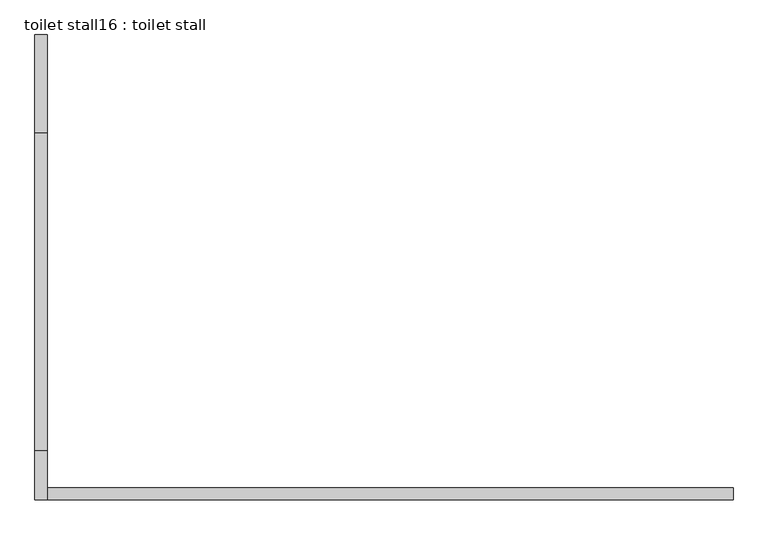
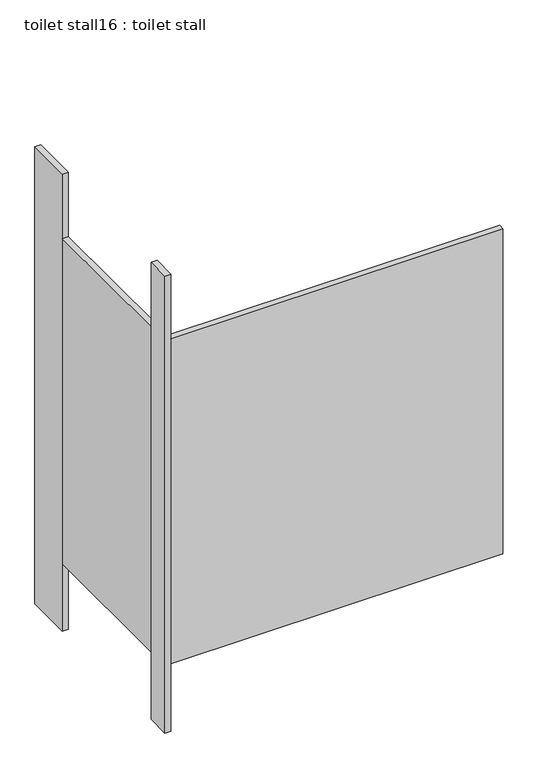
"""IFC4 building model written with IfcOpenShell, lengths in millimetres: proxy geometry, toilet stall16 : toilet stall."""

from ifc_helpers import new_model, si_unit, frame, origin, origin_with_axes, place, context, project, spatial, polyline, outline, extrude, source, transform, mapped, element, save


def toilet_stall16_toilet_stall_9a24d456(model_context):
    return source(origin(), model_context, "Body", "SweptSolid", [
        extrude(outline(polyline([(454658.2004676, -280172.2988632), (454632.8004676, -280172.2988632), (454632.8004676, -279969.0988632), (454658.2004676, -279969.0988632), (454658.2004676, -280172.2988632)])), origin_with_axes(), (0.0, 0.0, 1.0), 2070.1),
        extrude(outline(polyline([(454658.2004676, -280934.2988632), (454632.8004676, -280934.2988632), (454632.8004676, -280832.6988632), (454658.2004676, -280832.6988632), (454658.2004676, -280934.2988632)])), origin_with_axes(), (0.0, 0.0, 1.0), 2070.1),
        extrude(outline(polyline([(454658.2004676, -280934.2988632), (454658.2004676, -280908.8988632), (456080.6004676, -280908.8988632), (456080.6004676, -280934.2988632), (454658.2004676, -280934.2988632)])), frame((0.0, 0.0, 304.8), z_axis=(0.0, 0.0, 1.0), x_axis=(1.0, 0.0, 0.0)), (0.0, 0.0, 1.0), 1473.2),
        extrude(outline(polyline([(454658.2004676, -280832.6988632), (454632.8004676, -280832.6988632), (454632.8004676, -280172.2988632), (454658.2004676, -280172.2988632), (454658.2004676, -280832.6988632)])), frame((0.0, 0.0, 304.8), z_axis=(0.0, 0.0, 1.0), x_axis=(1.0, 0.0, 0.0)), (0.0, 0.0, 1.0), 1473.2),
    ])


if __name__ == "__main__":
    model = new_model("IFC4")
    model_context = context("Model", 3, world=origin())
    ifc_project = project(units=[si_unit("LENGTHUNIT", "METRE", prefix="MILLI")], contexts=[model_context])
    site = spatial("IfcSite", under=ifc_project)
    building = spatial("IfcBuilding", under=site)
    placement = place(None, origin())
    toilet_stall16_toilet_stall_shape = toilet_stall16_toilet_stall_9a24d456(model_context)
    element("IfcBuildingElementProxy", 1, Name="toilet stall16 : toilet stall", ObjectType="toilet stall16 : toilet stall", at=placement, inside=building, context=model_context, shape_type="MappedRepresentation", body=[
        mapped(toilet_stall16_toilet_stall_shape, transform((0.0, 0.0, 0.0), x_axis=(1.0, 0.0, 0.0), y_axis=(0.0, 1.0, 0.0), z_axis=(0.0, 0.0, 1.0))),
    ])
    save(model, "model.ifc")
